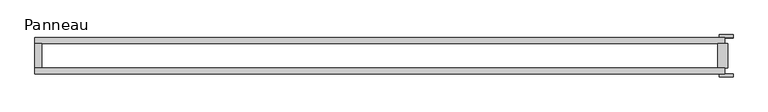
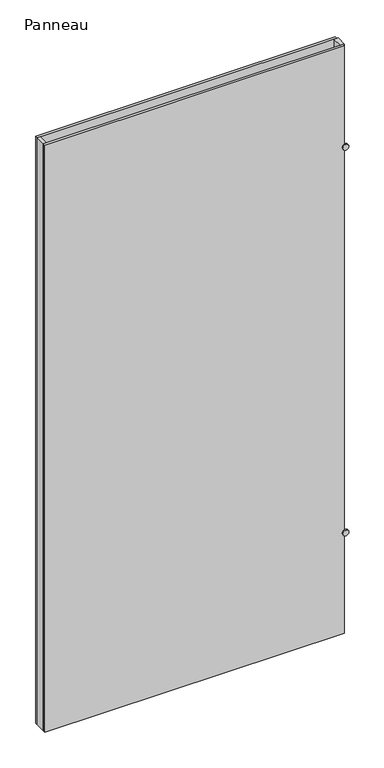
"""IFC4 building model written with IfcOpenShell, lengths in millimetres: plate geometry, Panneau."""

from ifc_helpers import new_model, si_unit, point, frame, frame_2d, origin, origin_with_axes, place, context, project, spatial, polyline, circle_curve, trimmed, segment, composite_curve, outline, extrude, source, transform, mapped, element, save


def panneau_a71bf2a7(model_context):
    return source(origin(), model_context, "Body", "SweptSolid", [
        extrude(outline(polyline([(700.628037, -37.2), (-706.628037, -37.2), (-706.628037, -25.2), (700.628037, -25.2), (700.628037, -37.2)])), origin_with_axes(), (0.0, 0.0, 1.0), 2915.0),
        extrude(outline(composite_curve([segment(trimmed(circle_curve(frame_2d((500.0, 703.628037)), 14.0), [point((500.0, 689.628037))], [point((500.0, 717.628037))], False, "CARTESIAN"), True, "CONTINUOUS"), segment(trimmed(circle_curve(frame_2d((500.0, 703.628037)), 14.0), [point((500.0, 717.628037))], [point((500.0, 689.628037))], False, "CARTESIAN"), True, "CONTINUOUS")], self_intersect=False)), frame((0.0, 37.2, 0.0), z_axis=(0.0, 1.0, 0.0), x_axis=(0.0, 0.0, 1.0)), (0.0, 0.0, 1.0), 6.0),
        extrude(outline(composite_curve([segment(trimmed(circle_curve(frame_2d((2415.0, 703.628037)), 14.0), [point((2415.0, 689.628037))], [point((2415.0, 717.628037))], False, "CARTESIAN"), True, "CONTINUOUS"), segment(trimmed(circle_curve(frame_2d((2415.0, 703.628037)), 14.0), [point((2415.0, 717.628037))], [point((2415.0, 689.628037))], False, "CARTESIAN"), True, "CONTINUOUS")], self_intersect=False)), frame((0.0, 37.2, 0.0), z_axis=(0.0, 1.0, 0.0), x_axis=(0.0, 0.0, 1.0)), (0.0, 0.0, 1.0), 6.0),
        extrude(outline(composite_curve([segment(trimmed(circle_curve(frame_2d((2415.0, 703.628037)), 14.0), [point((2415.0, 689.628037))], [point((2415.0, 717.628037))], False, "CARTESIAN"), True, "CONTINUOUS"), segment(trimmed(circle_curve(frame_2d((2415.0, 703.628037)), 14.0), [point((2415.0, 717.628037))], [point((2415.0, 689.628037))], False, "CARTESIAN"), True, "CONTINUOUS")], self_intersect=False)), frame((0.0, -43.2, 0.0), z_axis=(0.0, 1.0, 0.0), x_axis=(0.0, 0.0, 1.0)), (0.0, 0.0, 1.0), 6.0),
        extrude(outline(composite_curve([segment(trimmed(circle_curve(frame_2d((500.0, 703.628037)), 14.0), [point((500.0, 689.628037))], [point((500.0, 717.628037))], False, "CARTESIAN"), True, "CONTINUOUS"), segment(trimmed(circle_curve(frame_2d((500.0, 703.628037)), 14.0), [point((500.0, 717.628037))], [point((500.0, 689.628037))], False, "CARTESIAN"), True, "CONTINUOUS")], self_intersect=False)), frame((0.0, -43.2, 0.0), z_axis=(0.0, 1.0, 0.0), x_axis=(0.0, 0.0, 1.0)), (0.0, 0.0, 1.0), 6.0),
        extrude(outline(polyline([(-692.628037, 25.2), (-692.628037, -25.2), (-706.628037, -25.2), (-706.628037, 25.2), (-692.628037, 25.2)])), origin_with_axes(), (0.0, 0.0, 1.0), 2915.0),
        extrude(outline(polyline([(706.628037, 25.2), (706.628037, -25.2), (686.628037, -25.2), (686.628037, 25.2), (706.628037, 25.2)])), origin_with_axes(), (0.0, 0.0, 1.0), 2915.0),
        extrude(outline(polyline([(700.628037, 25.2), (-706.628037, 25.2), (-706.628037, 37.2), (700.628037, 37.2), (700.628037, 25.2)])), origin_with_axes(), (0.0, 0.0, 1.0), 2915.0),
    ])


if __name__ == "__main__":
    model = new_model("IFC4")
    model_context = context("Model", 3, world=origin())
    ifc_project = project(units=[si_unit("LENGTHUNIT", "METRE", prefix="MILLI")], contexts=[model_context])
    site = spatial("IfcSite", under=ifc_project)
    building = spatial("IfcBuilding", under=site)
    placement = place(None, origin())
    panneau_shape = panneau_a71bf2a7(model_context)
    element("IfcPlate", 1, ObjectType="Panneau", at=placement, inside=building, context=model_context, shape_type="MappedRepresentation", body=[
        mapped(panneau_shape, transform((0.0, 0.0, 0.0), x_axis=(1.0, 0.0, 0.0), y_axis=(0.0, 1.0, 0.0), z_axis=(0.0, 0.0, 1.0))),
    ])
    save(model, "model.ifc")
